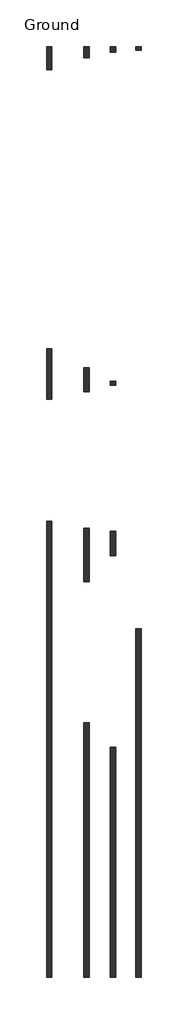
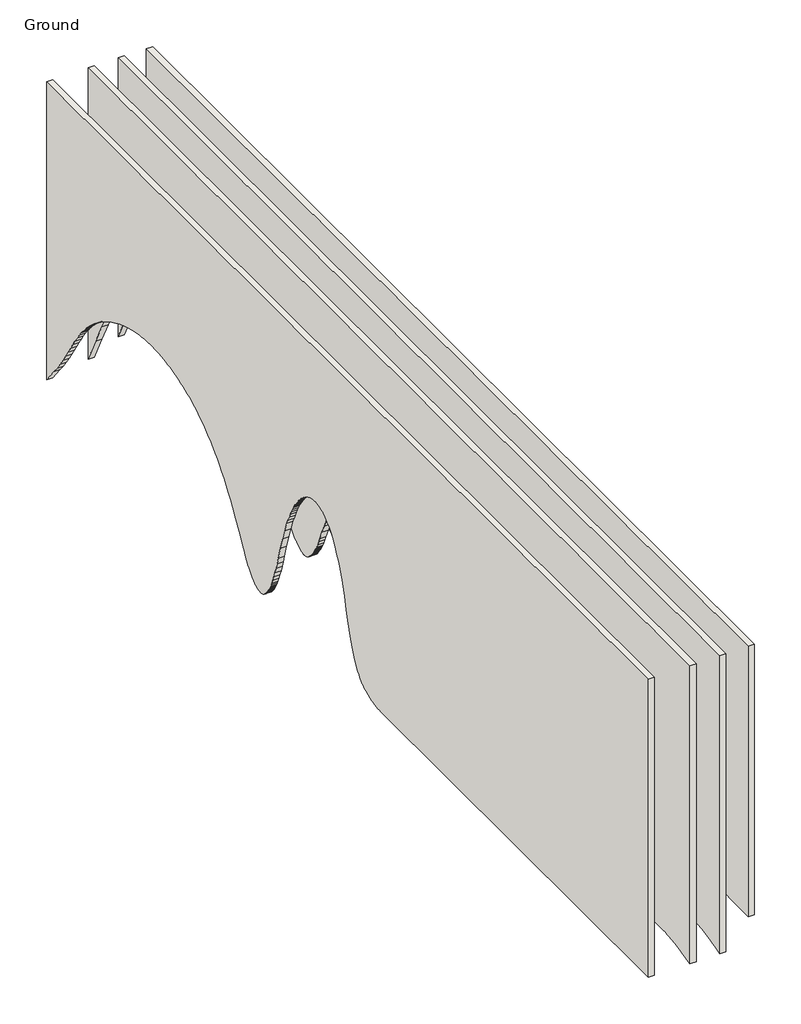
# One storey: 4 walls.
"""IFC4 building model written with IfcOpenShell, lengths in millimetres."""

from ifc_helpers import new_model, si_unit, frame, origin, place, context, project, spatial, polyline, outline, extrude, element, save

model = new_model("IFC4")

# Units and contexts
model_context = context("Model", 3, world=origin())
ifc_project = project(units=[si_unit("LENGTHUNIT", "METRE", prefix="MILLI")], contexts=[model_context])

# Site, building, storey
site = spatial("IfcSite", under=ifc_project)
building = spatial("IfcBuilding", under=site)
storey = spatial("IfcBuildingStorey", under=building, Name="Ground", Elevation=0.0)

# Walls
placement = place(None, origin())
element("IfcWall", 1, ObjectType="Wall-Ext_215Bwk", at=placement, inside=storey, context=model_context, shape_type="SweptSolid", body=[
    extrude(outline(polyline([(-25574.7736662, 11100.0), (11120.1509009, 11100.0), (11120.1509009, 6.9868798), (10676.8515925, 562.3280973), (10474.4359993, 829.3319734), (10284.8431132, 1089.2246944), (10108.0729345, 1342.0062604), (9944.125463, 1587.6766713), (9793.0006988, 1826.2359271), (9654.6986418, 2057.6840278), (9522.8079385, 2279.4566599), (9390.9172352, 2488.9895098), (9259.0265319, 2686.2825774), (9127.1358286, 2871.3358628), (8995.2451253, 3044.149366), (8929.2997736, 3125.9661992), (8863.3544219, 3204.7230869), (8797.4090703, 3280.4200291), (8731.4637186, 3353.0570257), (8665.518367, 3422.6340767), (8599.5730153, 3489.1511821), (8467.682312, 3616.0486171), (8335.7916087, 3736.7923915), (8203.9009054, 3851.382505), (8072.0102021, 3959.8189579), (7940.1194987, 4062.1017501), (7808.2287954, 4158.2308816), (7676.3380921, 4248.2063523), (7544.4473888, 4332.0281624), (7412.5566855, 4410.6294957), (7280.6659822, 4484.9435365), (7148.7752788, 4554.9702846), (7016.8845755, 4620.70974), (6884.9938722, 4682.1619029), (6753.1031689, 4739.3267731), (6621.2124656, 4792.2043507), (6489.3217623, 4840.7946356), (6357.4310589, 4885.5021199), (6225.5403556, 4926.7312953), (6093.6496523, 4964.4821619), (5961.758949, 4998.7547197), (5829.8682457, 5029.5489686), (5697.9775424, 5056.8649088), (5566.086839, 5080.7025401), (5434.1961357, 5101.0618627), (5302.3054324, 5117.9833486), (5170.4147291, 5131.50747), (5038.5240258, 5141.6342269), (4906.6333225, 5148.3636194), (4777.3288162, 5151.6303108), (4642.8519158, 5151.6303108), (4510.9612125, 5148.1676098), (4379.0705092, 5141.3075443), (4247.1798059, 5131.1198021), (4115.2891026, 5117.674071), (3983.3983992, 5100.970351), (3851.5076959, 5081.0086421), (3719.6169926, 5057.7889444), (3587.7262893, 5031.3112577), (3455.835586, 5001.5755822), (3323.9448827, 4968.5819177), (3192.0541793, 4932.0410134), (3060.163476, 4891.6636182), (2928.2727727, 4847.4497323), (2796.3820694, 4799.3993554), (2664.4913661, 4747.5124878), (2532.6006628, 4691.7891293), (2400.7099594, 4632.2292799), (2268.8192561, 4568.8329398), (2136.9285528, 4500.8198946), (2005.0378495, 4427.4099304), (1873.1471462, 4348.6030471), (1741.2564429, 4264.3992447), (1609.3657395, 4174.7985232), (1477.4750362, 4079.8008826), (1345.5843329, 3979.4063229), (1213.6936296, 3873.6148442), (1147.7482779, 3818.262485), (1081.8029263, 3760.6953458), (1015.8575746, 3700.9134266), (949.912223, 3638.9167274), (818.0215197, 3508.2789888), (686.1308163, 3368.7821301), (554.240113, 3220.4261513), (422.3494097, 3063.2110523), (290.4587064, 2897.1368333), (158.5680031, 2722.2034941), (26.6772998, 2538.4432369), (-105.2134036, 2345.8882637), (-237.1041069, 2144.5385745), (-368.9948102, 1934.3941693), (-632.7762168, 1487.7212109), (-896.5576235, 1005.8693885), (-962.5029751, 884.9109598), (-1028.4483268, 771.7563006), (-1094.3936784, 666.405411), (-1127.3663543, 616.6563798), (-1160.3390301, 568.858291), (-1193.3117059, 523.0111446), (-1226.2843818, 479.1149406), (-1259.2570576, 437.169679), (-1292.2297334, 397.1753598), (-1325.2024092, 359.131983), (-1358.1750851, 323.0395486), (-1391.1477609, 288.8980566), (-1424.1204367, 256.707507), (-1457.0931126, 226.4678998), (-1490.0657884, 198.179235), (-1506.5521263, 184.766506), (-1523.0384642, 171.8415126), (-1539.5248021, 159.4042548), (-1556.01114, 147.4547326), (-1572.497478, 135.992946), (-1588.9838159, 125.018895), (-1605.4701538, 114.5325796), (-1621.9564917, 104.5339998), (-1638.4428296, 95.0231556), (-1654.9291675, 86.000047), (-1671.4155054, 77.464674), (-1687.9018434, 69.4170366), (-1704.3881813, 61.8571348), (-1720.8745192, 54.7849686), (-1737.3608571, 48.200538), (-1753.847195, 42.103843), (-1770.3335329, 36.4948836), (-1786.8198708, 31.3736598), (-1803.3062088, 26.7401716), (-1819.7925467, 22.594419), (-1836.2788846, 18.936402), (-1852.7652225, 15.7661206), (-1869.2515604, 13.0835748), (-1885.7378983, 10.8887646), (-1902.2242362, 9.18169), (-1918.7105742, 7.962351), (-1935.1969121, 7.2307476), (-1951.68325, 6.9868798), (-1959.9264189, 7.1035895), (-1968.1695879, 7.4537184), (-1976.4127569, 8.0372667), (-1984.6559258, 8.8542344), (-1992.8990948, 9.9046213), (-2001.1422637, 11.1884275), (-2009.3854327, 12.7056531), (-2017.6286016, 14.456298), (-2025.8717706, 16.4403622), (-2034.1149396, 18.6578457), (-2042.3581085, 21.1087486), (-2050.6012775, 23.7930707), (-2058.8444464, 26.7108122), (-2067.0876154, 29.861973), (-2075.3307844, 33.2465531), (-2083.5739533, 36.8645525), (-2091.8171223, 40.7159713), (-2100.0602912, 44.8008093), (-2108.3034602, 49.1190667), (-2116.5466291, 53.6707434), (-2124.7897981, 58.4558394), (-2133.0329671, 63.4743548), (-2141.276136, 68.7262894), (-2149.519305, 74.2116434), (-2157.7624739, 79.9304167), (-2166.0056429, 85.8826093), (-2174.2488118, 92.0682212), (-2182.4919808, 98.4872525), (-2198.9783187, 112.0255729), (-2215.4646566, 126.4975707), (-2231.9509945, 141.9032457), (-2248.4373325, 158.2425979), (-2264.9236704, 175.5156275), (-2281.4100083, 193.7223343), (-2297.8963462, 212.8627184), (-2314.3826841, 232.9367797), (-2330.869022, 253.9445183), (-2347.3553599, 275.8859342), (-2363.8416979, 298.7610274), (-2380.3280358, 322.5697978), (-2413.3007116, 372.9883706), (-2446.2733874, 427.1416523), (-2479.2460633, 485.0296432), (-2512.2187391, 546.6523432), (-2545.1914149, 612.0097523), (-2578.1640907, 681.1018704), (-2611.1367666, 753.9286977), (-2677.0821182, 910.7864794), (-2743.0274699, 1082.5830975), (-2808.9728215, 1269.318552), (-2874.9181732, 1470.9928428), (-2940.8635249, 1687.60597), (-3006.8088765, 1919.1579335), (-3138.6995798, 2379.0066824), (-3270.5902832, 2802.4674024), (-3402.4809865, 3189.5400933), (-3534.3716898, 3540.2247553), (-3600.3170414, 3701.9215754), (-3666.2623931, 3854.5213882), (-3732.2077448, 3998.0241938), (-3798.1530964, 4132.4299922), (-3864.0984481, 4257.7387833), (-3930.0437997, 4373.9505671), (-3963.0164756, 4428.6450814), (-3995.9891514, 4481.0653438), (-4028.9618272, 4531.2113543), (-4061.9345031, 4579.0831131), (-4127.8798547, 4669.9296712), (-4193.8252064, 4755.5308139), (-4259.770558, 4835.8865412), (-4325.7159097, 4910.9968532), (-4358.6885855, 4946.5849784), (-4391.6612613, 4980.8617498), (-4424.6339372, 5013.8271674), (-4457.606613, 5045.4812311), (-4490.5792888, 5075.8239409), (-4523.5519647, 5104.855297), (-4556.5246405, 5132.5752991), (-4589.4973163, 5158.9839475), (-4622.4699921, 5184.081242), (-4655.442668, 5207.8671827), (-4688.4153438, 5230.3417695), (-4721.3880196, 5251.5050025), (-4754.3606955, 5271.3568816), (-4787.3333713, 5289.8974069), (-4820.3060471, 5307.1265784), (-4853.278723, 5323.044396), (-4886.2513988, 5337.6508598), (-4919.2240746, 5350.9459697), (-4935.7104125, 5357.101767), (-4952.1967504, 5362.9297258), (-4968.6830884, 5368.4298462), (-4985.1694263, 5373.6021281), (-5001.6557642, 5378.4465715), (-5018.1421021, 5382.9631765), (-5034.62844, 5387.151943), (-5051.1147779, 5391.0128711), (-5067.6011158, 5394.5459607), (-5084.0874538, 5397.7512118), (-5100.5737917, 5400.6286245), (-5117.0601296, 5403.1781987), (-5133.5464675, 5405.4098703), (-5150.0328054, 5407.3335751), (-5166.5191433, 5408.949313), (-5183.0054812, 5410.2570842), (-5199.4918192, 5411.2568885), (-5215.9781571, 5411.948726), (-5232.464495, 5412.3325967), (-5248.9508329, 5412.4085006), (-5265.4371708, 5412.1764377), (-5281.9235087, 5411.6364079), (-5298.4098466, 5410.7884114), (-5314.8961846, 5409.632448), (-5331.3825225, 5408.1685178), (-5347.8688604, 5406.3966208), (-5364.3551983, 5404.316757), (-5380.8415362, 5401.9289264), (-5397.3278741, 5399.233129), (-5413.814212, 5396.2293647), (-5430.30055, 5392.9176337), (-5446.7868879, 5389.2979358), (-5463.2732258, 5385.3702711), (-5479.7595637, 5381.1346396), (-5512.7322395, 5371.7394761), (-5545.7049154, 5361.1124454), (-5578.6775912, 5349.2535475), (-5611.650267, 5336.1627823), (-5644.6229428, 5321.8401498), (-5677.5956187, 5306.2856501), (-5710.5682945, 5289.4992831), (-5743.5409703, 5271.4810489), (-5776.5136462, 5252.2309474), (-5809.486322, 5231.7489787), (-5842.4589978, 5210.0351427), (-5875.4316737, 5187.0894394), (-5908.4043495, 5162.9118689), (-5941.3770253, 5137.5024312), (-5974.3497011, 5110.8611262), (-6007.322377, 5082.9879539), (-6040.2950528, 5053.8829144), (-6073.2677286, 5023.5460076), (-6106.2404045, 4991.9772336), (-6139.2130803, 4959.1765923), (-6172.1857561, 4925.1440838), (-6188.657783, 4907.5047571), (-6205.1011877, 4889.2352192), (-6237.9021309, 4850.8055097), (-6270.5885855, 4809.8549554), (-6303.1605518, 4766.3835563), (-6335.6180295, 4720.3913123), (-6367.9610188, 4671.8782234), (-6400.1895197, 4620.8442897), (-6432.3035321, 4567.2895112), (-6464.303056, 4511.2138877), (-6496.1880915, 4452.6174195), (-6527.9586385, 4391.5001064), (-6559.6146971, 4327.8619484), (-6622.5833489, 4193.0230979), (-6685.0940468, 4048.100868), (-6747.1467909, 3893.0952586), (-6808.7415811, 3728.0062699), (-6869.8784176, 3552.8339017), (-6930.5573002, 3367.5781541), (-7050.5412039, 2966.8165208), (-7168.6932923, 2525.7213697), (-7286.8453807, 2088.0251507), (-7346.6083556, 1886.8513094), (-7406.8292844, 1697.4603134), (-7467.508167, 1519.8521629), (-7528.6450034, 1354.0268578), (-7590.2397937, 1199.9843981), (-7652.2925378, 1057.7247839), (-7683.4906425, 991.0135438), (-7714.8032357, 927.248015), (-7746.2303174, 866.4281977), (-7777.7718875, 808.5540916), (-7809.427946, 753.625697), (-7841.198493, 701.6430136), (-7873.0835285, 652.6060417), (-7905.0830525, 606.5147811), (-7937.1970649, 563.3692318), (-7953.2970042, 542.901099), (-7969.4255657, 523.1693939), (-7985.5827493, 504.1741168), (-8001.768555, 485.9152674), (-8017.9829829, 468.3928459), (-8034.2260328, 451.6068522), (-8050.4977049, 435.5572864), (-8066.797999, 420.2441484), (-8083.1269153, 405.6674383), (-8099.4844537, 391.8271559), (-8115.8706142, 378.7233015), (-8132.2853968, 366.3558748), (-8148.7288016, 354.724876), (-8165.2008284, 343.8303051), (-8231.1461801, 303.0406715), (-8297.0915318, 264.8826273), (-8363.0368834, 229.3561723), (-8428.9822351, 196.4613065), (-8494.9275867, 166.19803), (-8560.8729384, 138.5663428), (-8626.8182901, 113.5662448), (-8659.7909659, 102.0530418), (-8692.7636417, 91.1977361), (-8725.7363175, 81.0003277), (-8758.7089934, 71.4608167), (-8791.6816692, 62.5792029), (-8824.654345, 54.3554865), (-8857.6270209, 46.7896674), (-8890.5996967, 39.8817456), (-8923.5723725, 33.6317211), (-8956.5450483, 28.0395939), (-8989.5177242, 23.105364), (-9022.4904, 18.8290315), (-9055.4630758, 15.2105962), (-9088.4357517, 12.2500583), (-9121.4084275, 9.9474177), (-9154.3811033, 8.3026744), (-9187.3537792, 7.3158285), (-9220.326455, 6.9868798), (-25574.7736662, 6.9868798), (-25574.7736662, 11100.0)])), frame((-4215.2824204, 0.0, 0.0), z_axis=(1.0, 0.0, 0.0), x_axis=(0.0, 1.0, 0.0)), (0.0, 0.0, 1.0), 215.0),
])
element("IfcWall", 2, ObjectType="Wall-Ext_215Bwk", at=placement, inside=storey, context=model_context, shape_type="SweptSolid", body=[
    extrude(outline(polyline([(-25574.7736662, 11100.0), (11120.1509009, 11100.0), (11120.1509009, 259.5725308), (10672.3773836, 1195.0563647), (10277.9371695, 1966.8977803), (10100.7170511, 2291.4525813), (9936.8302585, 2575.0967778), (9859.8868594, 2701.5773993), (9786.2767917, 2817.8303697), (9716.0000554, 2923.8556889), (9649.0566506, 3019.653357), (9518.4218857, 3196.9744777), (9387.6245472, 3366.2024697), (9256.664635, 3527.337333), (9125.5421492, 3680.3790676), (8994.2570899, 3825.3276734), (8862.8094569, 3962.1831506), (8731.1992503, 4090.945499), (8599.4264701, 4211.6147187), (8467.5701133, 4325.6332812), (8335.709177, 4434.4436579), (8203.8436611, 4538.0458488), (8071.9735657, 4636.4398538), (7940.0988908, 4729.6256731), (7808.2196363, 4817.6033065), (7676.3358023, 4900.3727542), (7544.4473888, 4977.9340161), (7412.5566855, 5050.9617307), (7280.6659822, 5120.1305365), (7148.7752788, 5185.4404336), (7016.8845755, 5246.891422), (6884.9938722, 5304.4835017), (6753.1031689, 5358.2166726), (6621.2124656, 5408.0909348), (6489.3217623, 5454.1062883), (6357.4310589, 5496.4450331), (6225.5403556, 5535.2894694), (6093.6496523, 5570.6395973), (5961.758949, 5602.4954167), (5829.8682457, 5630.8569275), (5697.9775424, 5655.7241299), (5566.086839, 5677.0970238), (5434.1961357, 5694.9756092), (5302.3054324, 5709.6463766), (5170.4147291, 5721.3958164), (5038.5240258, 5730.2239287), (4906.6333225, 5736.1307134), (4771.9095188, 5739.1803002), (4642.8519158, 5739.1803002), (4510.9612125, 5736.3231023), (4379.0705092, 5730.5445768), (4247.1798059, 5721.6865046), (4115.2891026, 5709.5906669), (3983.3983992, 5694.2570634), (3851.5076959, 5675.6856942), (3719.6169926, 5653.8765594), (3587.7262893, 5628.8296588), (3455.835586, 5600.5449926), (3323.9448827, 5569.0225607), (3192.0541793, 5534.0085546), (3060.163476, 5495.2491659), (2928.2727727, 5452.7443944), (2796.3820694, 5406.4942402), (2664.4913661, 5356.4987034), (2532.6006628, 5302.7577838), (2400.7099594, 5245.2714816), (2268.8192561, 5184.0397966), (2136.9285528, 5118.6800344), (2005.0378495, 5048.8095002), (1873.1471462, 4974.4281942), (1741.2564429, 4895.5361162), (1609.3657395, 4812.1332663), (1477.4750362, 4724.2196445), (1345.5843329, 4631.7952508), (1213.6936296, 4534.8600852), (1081.8029263, 4432.2533544), (949.912223, 4322.8142653), (818.0215197, 4206.5428178), (686.1308163, 4083.439012), (554.240113, 3953.5028478), (422.3494097, 3816.7343253), (290.4587064, 3673.1334444), (158.5680031, 3522.7002052), (26.6772998, 3364.4604581), (-105.2134036, 3197.4400538), (-237.1041069, 3021.638992), (-368.9948102, 2837.057273), (-500.8855135, 2643.6948966), (-632.7762168, 2441.5518629), (-764.6669201, 2230.6281719), (-896.5576235, 2010.9238236), (-962.5029751, 1901.8395849), (-1028.4483268, 1798.6815459), (-1094.3936784, 1701.4497066), (-1160.3390301, 1610.144067), (-1226.2843818, 1524.764627), (-1259.2570576, 1484.2972319), (-1292.2297334, 1445.3113867), (-1325.2024092, 1407.8070915), (-1358.1750851, 1371.7843461), (-1391.1477609, 1337.2431507), (-1424.1204367, 1304.1835052), (-1457.0931126, 1272.6054096), (-1490.0657884, 1242.508864), (-1523.0384642, 1213.8938682), (-1556.01114, 1186.7604224), (-1588.9838159, 1161.1085265), (-1621.9564917, 1136.9381805), (-1654.9291675, 1114.2493844), (-1687.9018434, 1093.0421383), (-1720.8745192, 1073.316442), (-1753.847195, 1055.0722957), (-1770.3335329, 1046.5058038), (-1786.8198708, 1038.3096993), (-1803.3062088, 1030.4839823), (-1819.7925467, 1023.0286528), (-1836.2788846, 1015.9437108), (-1852.7652225, 1009.2291563), (-1869.2515604, 1002.8849892), (-1885.7378983, 996.9112097), (-1902.2242362, 991.3078176), (-1918.7105742, 986.0748129), (-1935.1969121, 981.2121958), (-1951.68325, 976.7199661), (-1959.9264189, 974.6544771), (-1968.1695879, 972.7650461), (-1976.4127569, 971.051673), (-1984.6559258, 969.5143579), (-1992.8990948, 968.1531007), (-2001.1422637, 966.9679014), (-2009.3854327, 965.9587601), (-2017.6286016, 965.1256768), (-2025.8717706, 964.4686514), (-2034.1149396, 963.9876839), (-2042.3581085, 963.6827744), (-2050.6012775, 963.5539229), (-2058.8444464, 963.6011293), (-2067.0876154, 963.8243936), (-2075.3307844, 964.2237159), (-2083.5739533, 964.7990961), (-2091.8171223, 965.5505343), (-2100.0602912, 966.4780304), (-2108.3034602, 967.5815845), (-2116.5466291, 968.8611965), (-2124.7897981, 970.3168665), (-2133.0329671, 971.9485944), (-2141.276136, 973.7563803), (-2149.519305, 975.7402241), (-2157.7624739, 977.9001259), (-2166.0056429, 980.2360856), (-2174.2488118, 982.7481033), (-2182.4919808, 985.4361789), (-2190.7351498, 988.3003124), (-2198.9783187, 991.3405039), (-2207.2214877, 994.5567534), (-2215.4646566, 997.9490608), (-2223.7078256, 1001.5174262), (-2231.9509945, 1005.2618495), (-2248.4373325, 1013.2788699), (-2264.9236704, 1022.0001221), (-2281.4100083, 1031.4256062), (-2297.8963462, 1041.555322), (-2314.3826841, 1052.3892696), (-2330.869022, 1063.927449), (-2347.3553599, 1076.1698602), (-2363.8416979, 1089.1165032), (-2380.3280358, 1102.7673779), (-2396.8143737, 1117.1224845), (-2414.4733528, 1133.2529644), (-2429.7870495, 1147.945393), (-2446.2733874, 1164.413195), (-2462.7597253, 1181.5852287), (-2479.2460633, 1199.4614943), (-2495.7324012, 1218.0419916), (-2512.2187391, 1237.3267207), (-2545.1914149, 1278.0088743), (-2578.1640907, 1321.5079551), (-2611.1367666, 1367.823963), (-2644.1094424, 1416.9568981), (-2677.0821182, 1468.9067604), (-2710.0547941, 1523.6735499), (-2743.0274699, 1581.2572665), (-2776.0001457, 1641.6579103), (-2808.9728215, 1704.8754812), (-2874.9181732, 1839.7614046), (-2940.8635249, 1985.9150367), (-3006.8088765, 2143.3363775), (-3138.6995798, 2461.5583306), (-3270.5902832, 2764.0034096), (-3402.4809865, 3050.6716144), (-3534.3716898, 3321.562945), (-3666.2623931, 3576.6774015), (-3798.1530964, 3816.0149838), (-3930.0437997, 4039.575692), (-4061.9345031, 4247.359526), (-4127.8792823, 4344.6326809), (-4193.8229166, 4436.5567486), (-4259.765406, 4523.1317291), (-4325.7067506, 4604.3576224), (-4391.6469503, 4680.2344285), (-4424.6166208, 4716.1669238), (-4457.5860051, 4750.7621474), (-4490.5551031, 4784.0200992), (-4523.523915, 4815.9407791), (-4556.4924406, 4846.5241873), (-4589.46068, 4875.7703237), (-4622.4286332, 4903.6791883), (-4655.3963002, 4930.250781), (-4688.3636809, 4955.485102), (-4721.3307754, 4979.3821512), (-4754.2975837, 5001.9419286), (-4787.2641058, 5023.1644342), (-4820.2303416, 5043.049668), (-4853.1962913, 5061.59763), (-4886.1619547, 5078.8083201), (-4919.1273319, 5094.6817385), (-4952.0924228, 5109.2178851), (-4968.574861, 5115.9844815), (-4985.0572276, 5122.4167599), (-5001.5395226, 5128.5147204), (-5018.0217461, 5134.278363), (-5034.503898, 5139.7076875), (-5050.9859784, 5144.8026942), (-5067.4679872, 5149.5633828), (-5083.9499245, 5153.9897536), (-5100.4317902, 5158.0818064), (-5116.9135844, 5161.8395412), (-5133.3941084, 5165.2664438), (-5149.8721638, 5168.3659998), (-5166.3477505, 5171.1382093), (-5182.8208686, 5173.5830723), (-5199.291518, 5175.7005887), (-5215.7596988, 5177.4907585), (-5232.2254109, 5178.9535818), (-5248.6886543, 5180.0890586), (-5265.1494291, 5180.8971889), (-5281.6077353, 5181.3779725), (-5298.0635727, 5181.5314097), (-5314.5169415, 5181.3575003), (-5330.9678417, 5180.8562443), (-5347.4162732, 5180.0276418), (-5363.862236, 5178.8716928), (-5380.3057302, 5177.3883972), (-5396.7467558, 5175.5777551), (-5413.1853126, 5173.4397664), (-5429.6214009, 5170.9744312), (-5446.0550204, 5168.1817495), (-5462.4861713, 5165.0617212), (-5478.9148536, 5161.6143463), (-5495.3410671, 5157.8396249), (-5511.7648121, 5153.737557), (-5528.1860883, 5149.3081425), (-5544.6048959, 5144.5513815), (-5561.0212349, 5139.4672739), (-5577.4351052, 5134.0558198), (-5593.8465068, 5128.3170192), (-5610.2554398, 5122.250872), (-5643.0658998, 5109.136538), (-5675.8664852, 5094.7128177), (-5708.6571959, 5078.9797114), (-5741.438032, 5061.9372188), (-5774.2089935, 5043.5853401), (-5806.9700804, 5023.9240751), (-5839.7212926, 5002.9534241), (-5872.4626302, 4980.6733868), (-5905.1940931, 4957.0839633), (-5937.9156815, 4932.1851537), (-5970.6273952, 4905.9769579), (-6003.3292342, 4878.4593759), (-6036.0211987, 4849.6324078), (-6068.7032885, 4819.4960535), (-6101.3755037, 4788.050313), (-6134.0378442, 4755.2951863), (-6166.6903101, 4721.2306734), (-6199.296122, 4685.6457182), (-6231.8185004, 4648.3292644), (-6264.2574454, 4609.2813121), (-6296.6129569, 4568.5018613), (-6328.8850349, 4525.9909119), (-6361.0736795, 4481.7484639), (-6393.1788905, 4435.7745174), (-6425.2006682, 4388.0690724), (-6488.9939231, 4287.4636867), (-6552.4534441, 4179.9323069), (-6615.5792312, 4065.4749328), (-6678.3712846, 3944.0915646), (-6740.829604, 3815.7822023), (-6802.9541896, 3680.5468457), (-6864.7450414, 3538.385495), (-6926.2021593, 3389.2981501), (-7048.1151935, 3070.3454778), (-7168.6932923, 2723.6888287), (-7289.2713911, 2379.3820959), (-7350.0610413, 2219.3801578), (-7411.1844253, 2067.4791719), (-7472.6415432, 1923.6791383), (-7534.432395, 1787.9800569), (-7596.5569806, 1660.3819278), (-7659.0153, 1540.8847509), (-7721.8073533, 1429.4885262), (-7753.3285302, 1376.828271), (-7784.9331405, 1326.1932538), (-7816.6211843, 1277.5834747), (-7848.3926615, 1230.9989336), (-7880.2475722, 1186.4396306), (-7912.1859164, 1143.9055656), (-7944.207694, 1103.3967388), (-7976.3129051, 1064.9131499), (-8008.5015497, 1028.4547992), (-8040.7736277, 994.0216864), (-8073.1291392, 961.6138118), (-8105.5680841, 931.2311752), (-8121.8188442, 916.7993212), (-8138.0904625, 902.8737767), (-8154.3829393, 889.4545417), (-8170.6962744, 876.5416162), (-8203.3487403, 851.8746162), (-8236.0110809, 828.5126989), (-8268.6832961, 806.4558645), (-8301.3653859, 785.704113), (-8334.0573503, 766.2574442), (-8366.7591894, 748.1158582), (-8399.4709031, 731.2793551), (-8432.1924914, 715.7479348), (-8464.9239544, 701.5215973), (-8497.665292, 688.6003426), (-8514.0396638, 682.6291213), (-8530.4165042, 676.9841707), (-8546.7958133, 671.6654909), (-8563.1775911, 666.6730817), (-8579.5618375, 662.0069432), (-8595.9485525, 657.6670755), (-8612.3377363, 653.6534784), (-8628.7293886, 649.9661521), (-8645.1235097, 646.6050964), (-8661.5200994, 643.5703115), (-8677.9191577, 640.8617972), (-8694.3206847, 638.4795537), (-8710.7246804, 636.4235808), (-8727.1311447, 634.6938787), (-8743.5400777, 633.2904473), (-8759.9514794, 632.2132866), (-8776.3653497, 631.4623966), (-8792.7816886, 631.0377772), (-8809.2004962, 630.9394286), (-8825.6217725, 631.1673507), (-8842.0455174, 631.7215435), (-8858.471731, 632.602007), (-8874.9004133, 633.8087412), (-8891.3315642, 635.3417462), (-8907.7651837, 637.2010218), (-8924.2012719, 639.3865681), (-8940.6398288, 641.8983851), (-8957.0808543, 644.7364729), (-8973.5243485, 647.9008313), (-8989.9703114, 651.3914604), (-9006.4187429, 655.2083603), (-9022.869643, 659.3515308), (-9039.3230118, 663.8209721), (-9055.7788493, 668.616684), (-9072.2371554, 673.7386667), (-9088.6979302, 679.1869201), (-9105.1611737, 684.9614441), (-9121.6268858, 691.0622389), (-9154.565716, 704.2426406), (-9187.5144208, 718.728125), (-9220.4730002, 734.5186923), (-9352.329357, 803.0073109), (-9484.1902933, 876.9282968), (-9616.0558092, 956.2816501), (-9747.9259046, 1041.0673708), (-9879.8005795, 1131.2854589), (-10011.679834, 1226.9359144), (-10143.563668, 1328.0187373), (-10275.4520815, 1434.5339276), (-10539.2334881, 1647.1957753), (-10803.0148948, 1848.2558221), (-11066.7963014, 2037.7140681), (-11330.577708, 2215.5705133), (-11396.5230597, 2257.7057635), (-11462.4684114, 2298.0837414), (-11528.413763, 2336.7044472), (-11594.3591147, 2373.5678809), (-11660.3044663, 2408.6740424), (-11726.249818, 2442.0229317), (-11792.1951696, 2473.6145488), (-11858.1405213, 2503.4488938), (-11924.085873, 2531.5259667), (-11990.0312246, 2557.8457674), (-12055.9765763, 2582.4082959), (-12121.9219279, 2605.2135523), (-12187.8672796, 2626.2615365), (-12253.8126313, 2645.5522485), (-12319.7579829, 2663.0856884), (-12385.7033346, 2678.8618561), (-12451.6486862, 2692.59232), (-12517.5940379, 2703.9886484), (-12583.5393895, 2713.0508413), (-12616.5120654, 2716.7066369), (-12649.4847412, 2719.7788987), (-12682.457417, 2722.2676266), (-12715.4300929, 2724.1728206), (-12748.4027687, 2725.4944808), (-12781.3754445, 2726.232607), (-12814.3481204, 2726.3871994), (-12847.3207962, 2725.958258), (-12880.293472, 2724.9457826), (-12913.2661478, 2723.3497734), (-12946.2388237, 2721.1702303), (-12979.2114995, 2718.4071533), (-13012.1841753, 2715.0605424), (-13045.1568512, 2711.1303977), (-13111.1022028, 2701.5195067), (-13177.0475545, 2689.5744801), (-13242.9929061, 2675.295318), (-13308.9382578, 2658.6820205), (-13374.8836094, 2639.7345874), (-13440.8289611, 2618.4530189), (-13506.7743128, 2595.2290142), (-13572.7196644, 2570.4542729), (-13638.6650161, 2544.1287949), (-13704.6103677, 2516.2525801), (-13770.5557194, 2486.8256287), (-13836.5010711, 2455.8479406), (-13902.4464227, 2423.3195158), (-13968.3917744, 2389.2403542), (-14034.337126, 2353.610456), (-14100.2824777, 2316.4298211), (-14232.173181, 2237.4163412), (-14364.0638843, 2152.1999145), (-14495.9545876, 2060.780541), (-14627.845291, 1964.2717417), (-14759.7359943, 1863.7870373), (-14891.6266976, 1759.3264279), (-15023.5174009, 1650.8899135), (-15287.2988075, 1422.0891697), (-15551.0802142, 1177.3848058), (-15617.0255658, 1115.5113686), (-15682.9709175, 1056.2191441), (-15748.9162691, 999.5081323), (-15814.8616208, 945.3783331), (-15880.8069725, 893.8297466), (-15946.7523241, 844.8623727), (-16012.6976758, 798.4762114), (-16078.6430274, 754.6712628), (-16144.5883791, 713.4475269), (-16210.5337307, 674.8050036), (-16276.4790824, 638.7436929), (-16342.4244341, 605.2635949), (-16408.3697857, 574.3647095), (-16474.3151374, 546.0470368), (-16540.260489, 520.3105768), (-16606.2058407, 497.1553294), (-16738.096544, 455.8659417), (-16869.9872473, 419.4563429), (-16935.932599, 403.0814644), (-17001.8779506, 387.9265332), (-17067.8233023, 373.9915491), (-17133.768654, 361.2765124), (-17199.7140056, 349.7814228), (-17265.6593573, 339.5062805), (-17331.6047089, 330.4510854), (-17397.5500606, 322.6158376), (-17463.4954123, 316.000537), (-17529.4407639, 310.6051837), (-17595.3861156, 306.4297776), (-17661.3314672, 303.4743187), (-18716.4570938, 283.8842478), (-21881.8339734, 283.055273), (-23992.0852264, 270.0050064), (-24060.0913703, 267.513694), (-24132.2190987, 263.1627388), (-24208.4684115, 256.952141), (-24288.8393089, 248.8819003), (-24461.945857, 227.1624909), (-24651.538743, 198.0045105), (-24857.6179669, 161.4079592), (-25080.1835288, 117.372837), (-25574.7736662, 6.9868798), (-25574.7736662, 11100.0)])), frame((-2749.8301613, 0.0, 0.0), z_axis=(1.0, 0.0, 0.0), x_axis=(0.0, 1.0, 0.0)), (0.0, 0.0, 1.0), 215.0),
])
element("IfcWall", 3, ObjectType="Wall-Ext_215Bwk", at=placement, inside=storey, context=model_context, shape_type="SweptSolid", body=[
    extrude(outline(polyline([(11120.1509009, 727.9687844), (10672.3178496, 1635.0681942), (10277.8455787, 2379.6263998), (10100.6197359, 2690.9525509), (9936.7340882, 2961.643401), (9859.7938375, 3081.7505881), (9786.1886356, 3191.69895), (9715.9184824, 3291.4884866), (9648.983378, 3381.1191979), (9518.3657864, 3546.5735348), (9387.5833313, 3704.7313506), (9256.6360129, 3855.5926453), (9125.5238311, 3999.157419), (8994.2467859, 4135.4256716), (8862.8048774, 4264.3974032), (8731.1981054, 4386.0726136), (8599.4264701, 4500.4513031), (8467.5701133, 4608.7617107), (8335.709177, 4712.2320757), (8203.8436611, 4810.8623981), (8071.9735657, 4904.6526779), (7940.0988908, 4993.6029152), (7808.2196363, 5077.7131098), (7676.3358023, 5156.9832619), (7544.4473888, 5231.4133713), (7412.5566855, 5301.6328996), (7280.6659822, 5368.2713081), (7148.7752788, 5431.3285969), (7016.8845755, 5490.8047659), (6884.9938722, 5546.6998151), (6753.1031689, 5599.0137446), (6621.2124656, 5647.7465543), (6489.3217623, 5692.8982443), (6357.4310589, 5734.5641846), (6225.5403556, 5772.8397456), (6093.6496523, 5807.7249271), (5961.758949, 5839.2197292), (5829.8682457, 5867.3241519), (5697.9775424, 5892.0381951), (5566.086839, 5913.3618589), (5434.1961357, 5931.2951434), (5302.3054324, 5946.0439347), (5170.4147291, 5957.8141195), (5038.5240258, 5966.6056977), (4906.6333225, 5972.4186693), (4781.4545755, 5975.1087925), (4642.8519158, 5975.1087925), (4510.9612125, 5971.9859443), (4379.0705092, 5965.8844894), (4247.1798059, 5956.6874942), (4115.2891026, 5944.2780249), (3983.3983992, 5928.6560816), (3851.5076959, 5909.8216642), (3719.6169926, 5887.7747727), (3587.7262893, 5862.5154072), (3455.835586, 5834.0435676), (3323.9448827, 5802.359254), (3192.0541793, 5767.294454), (3060.163476, 5728.6811555), (2928.2727727, 5686.5193585), (2796.3820694, 5640.8090628), (2664.4913661, 5591.5502687), (2532.6006628, 5538.7429759), (2400.7099594, 5482.3871846), (2268.8192561, 5422.4828948), (2136.9285528, 5358.7328402), (2005.0378495, 5290.8397547), (1873.1471462, 5218.8036384), (1741.2564429, 5142.6244912), (1609.3657395, 5062.302313), (1477.4750362, 4977.837104), (1345.5843329, 4889.2288641), (1213.6936296, 4796.4775933), (1081.8029263, 4698.4952307), (949.912223, 4594.1937152), (818.0215197, 4483.573047), (686.1308163, 4366.6332259), (554.240113, 4243.3742521), (422.3494097, 4113.7961254), (290.4587064, 3977.8988459), (158.5680031, 3835.6824136), (26.6772998, 3686.0116327), (-105.2134036, 3527.7513072), (-237.1041069, 3360.9014371), (-368.9948102, 3185.4620224), (-500.8855135, 3001.4330632), (-632.7762168, 2808.8145595), (-764.6669201, 2607.6065112), (-896.5576235, 2397.8089183), (-962.5029751, 2292.9667214), (-1028.4483268, 2192.5324958), (-1094.3936784, 2096.5062416), (-1160.3390301, 2004.8879587), (-1226.2843818, 1917.6776471), (-1292.2297334, 1834.8753069), (-1358.1750851, 1756.4809381), (-1424.1204367, 1682.4945406), (-1490.0657884, 1612.9161144), (-1556.01114, 1547.7456596), (-1588.9838159, 1516.8134214), (-1621.9564917, 1486.9831761), (-1654.9291675, 1458.2549236), (-1687.9018434, 1430.6286639), (-1720.8745192, 1404.1043971), (-1753.847195, 1378.6821231), (-1786.8198708, 1354.361842), (-1819.7925467, 1331.1435537), (-1852.7652225, 1309.0272582), (-1885.7378983, 1288.0129555), (-1918.7105742, 1268.1006457), (-1951.68325, 1249.2903288), (-1968.1695879, 1240.5272997), (-1976.4127569, 1236.4207586), (-1984.6559258, 1232.4975331), (-1992.8990948, 1228.7576232), (-2001.1422637, 1225.201029), (-2009.3854327, 1221.8277503), (-2017.6286016, 1218.6377873), (-2025.8717706, 1215.6311399), (-2034.1149396, 1212.8078081), (-2042.3581085, 1210.1677919), (-2050.6012775, 1207.7110913), (-2058.8444464, 1205.4377064), (-2067.0876154, 1203.347637), (-2075.3307844, 1201.4408833), (-2083.5739533, 1199.7174452), (-2091.8171223, 1198.1773227), (-2100.0602912, 1196.8205158), (-2108.3034602, 1195.6470245), (-2116.5466291, 1194.6568488), (-2124.7897981, 1193.8499888), (-2133.0329671, 1193.2264444), (-2141.276136, 1192.7862155), (-2149.519305, 1192.5293023), (-2157.7624739, 1192.4557048), (-2166.0056429, 1192.5654228), (-2174.2488118, 1192.8584564), (-2182.4919808, 1193.3348057), (-2190.7351498, 1193.9944705), (-2198.9783187, 1194.837451), (-2207.2214877, 1195.8637471), (-2215.4646566, 1197.0733588), (-2223.7078256, 1198.4662862), (-2231.9509945, 1200.0425291), (-2240.1941635, 1201.8020877), (-2248.4373325, 1203.7449618), (-2256.6805014, 1205.8711516), (-2264.9236704, 1208.180657), (-2273.1668393, 1210.673478), (-2281.4100083, 1213.3496147), (-2289.6531772, 1216.2090669), (-2297.8963462, 1219.2518348), (-2306.1395152, 1222.4779182), (-2314.3826841, 1225.8873173), (-2322.6258531, 1229.480032), (-2330.869022, 1233.2560623), (-2339.112191, 1237.2154082), (-2347.3553599, 1241.3580698), (-2363.8416979, 1250.1933397), (-2380.3280358, 1259.7618721), (-2396.8143737, 1270.0636669), (-2413.3007116, 1281.0987242), (-2429.7870495, 1292.867044), (-2446.2733874, 1305.3686262), (-2462.7597253, 1318.6034709), (-2479.2460633, 1332.571578), (-2495.7324012, 1347.2729476), (-2512.2187391, 1362.7075796), (-2528.705077, 1378.8754741), (-2545.1914149, 1395.7766311), (-2561.6777528, 1413.4110505), (-2578.1640907, 1431.7787323), (-2594.6504287, 1450.8796767), (-2611.1367666, 1470.7138835), (-2644.1094424, 1512.5820844), (-2677.0821182, 1557.3833352), (-2710.0547941, 1605.1176358), (-2743.0274699, 1655.7849862), (-2776.0001457, 1709.3853864), (-2808.9728215, 1765.9188365), (-2841.9454974, 1825.3853364), (-2874.9181732, 1887.7848862), (-2940.8635249, 2021.3831352), (-3006.8088765, 2166.7135834), (-3270.5902832, 2745.4347124), (-3402.4809865, 3015.2464798), (-3534.3716898, 3272.0257157), (-3666.2623931, 3515.7724203), (-3798.1530964, 3746.4865934), (-3930.0437997, 3964.1682352), (-4061.9345031, 4168.8173455), (-4127.8792823, 4265.2768725), (-4193.8229166, 4356.5226089), (-4259.765406, 4442.5545547), (-4325.7067506, 4523.3727098), (-4391.6469503, 4598.9770744), (-4424.6166208, 4634.8240852), (-4457.5860051, 4669.3676483), (-4490.5551031, 4702.6077638), (-4523.523915, 4734.5444316), (-4556.4924406, 4765.1776518), (-4589.46068, 4794.5074243), (-4622.4286332, 4822.5337492), (-4655.3963002, 4849.2566264), (-4688.3636809, 4874.676056), (-4721.3307754, 4898.7920379), (-4754.2975837, 4921.6045722), (-4787.2641058, 4943.1136588), (-4820.2303416, 4963.3192977), (-4853.1962913, 4982.221489), (-4886.1619547, 4999.8202327), (-4919.1273319, 5016.1155287), (-4952.0924228, 5031.107377), (-4985.0572276, 5044.7957777), (-5018.0217461, 5057.1807307), (-5034.503898, 5062.8844144), (-5050.9859784, 5068.2622361), (-5067.4679872, 5073.3141959), (-5083.9499245, 5078.0402938), (-5100.4317902, 5082.4405298), (-5116.9135844, 5086.5149039), (-5133.3940905, 5090.2637841), (-5149.8720922, 5093.6875384), (-5166.3475895, 5096.7861669), (-5182.8205824, 5099.5596696), (-5199.2910708, 5102.0080464), (-5215.7590548, 5104.1312973), (-5232.2245343, 5105.9294224), (-5248.6875094, 5107.4024217), (-5265.1479801, 5108.5502951), (-5281.6059464, 5109.3730426), (-5298.0614082, 5109.8706643), (-5314.5143656, 5110.0431602), (-5330.9648185, 5109.8905301), (-5347.412767, 5109.4127743), (-5363.8582111, 5108.6098926), (-5380.3011507, 5107.481885), (-5396.7415859, 5106.0287516), (-5413.1795167, 5104.2504924), (-5429.614943, 5102.1471073), (-5446.0478649, 5099.7185963), (-5462.4782823, 5096.9649595), (-5478.9061954, 5093.8861968), (-5495.3316039, 5090.4823083), (-5511.7545081, 5086.753294), (-5528.1749078, 5082.6991538), (-5544.5928031, 5078.3198877), (-5561.008194, 5073.6154958), (-5577.4210804, 5068.5859781), (-5593.8314623, 5063.2313344), (-5610.2393399, 5057.551565), (-5643.0475817, 5045.2166485), (-5675.8458057, 5031.5812287), (-5708.634012, 5016.6453054), (-5741.4122006, 5000.4088787), (-5774.1803714, 4982.8719486), (-5806.9385245, 4964.0345152), (-5839.6866598, 4943.8965783), (-5872.4247774, 4922.458138), (-5905.1528773, 4899.7191944), (-5937.8709594, 4875.6797473), (-5970.5790238, 4850.3397968), (-6003.2770704, 4823.6993429), (-6035.9650993, 4795.7583857), (-6068.6431105, 4766.516925), (-6101.3111039, 4735.9749609), (-6133.9690796, 4704.1324934), (-6166.6170375, 4670.9895226), (-6199.2184845, 4636.361961), (-6231.7369274, 4600.0657213), (-6264.1723661, 4562.1008036), (-6296.5248008, 4522.4672078), (-6328.7942312, 4481.164934), (-6360.9806576, 4438.1939822), (-6393.0840798, 4393.5543522), (-6425.1044979, 4347.2460443), (-6488.8963216, 4249.6233942), (-6552.3561289, 4145.3260319), (-6615.4839196, 4034.3539574), (-6678.2796938, 3916.7071707), (-6740.7434514, 3792.3856718), (-6802.8751926, 3661.3894607), (-6864.6749172, 3523.7185374), (-6926.1426253, 3379.3729018), (-7048.0819918, 3070.6574942), (-7168.6932923, 2735.2432377), (-7228.8329342, 2565.2133876), (-7289.3045927, 2403.8875185), (-7350.1082678, 2251.2656302), (-7411.2439593, 2107.3477228), (-7472.7116674, 1972.1337963), (-7534.511392, 1845.6238506), (-7596.6431331, 1727.8178858), (-7627.8335099, 1672.1788962), (-7659.1068908, 1618.7159018), (-7690.4632758, 1567.4289027), (-7721.902665, 1518.3178988), (-7753.4250583, 1471.3828901), (-7785.0304557, 1426.6238766), (-7816.7188572, 1384.0408583), (-7848.4902629, 1343.6338352), (-7880.3446727, 1305.4028074), (-7912.2820867, 1269.3477748), (-7944.3025048, 1235.4687374), (-7960.3438404, 1219.3452169), (-7976.405927, 1203.7656952), (-7992.4887646, 1188.7301723), (-8008.5923533, 1174.2386482), (-8024.7166931, 1160.2911229), (-8040.8617838, 1146.8875964), (-8057.0276256, 1134.0280688), (-8073.2142184, 1121.7125399), (-8089.4215623, 1109.9410098), (-8105.6496572, 1098.7134786), (-8121.8985031, 1088.0299461), (-8138.1681, 1077.8904125), (-8154.458448, 1068.2948776), (-8170.769547, 1059.2433416), (-8187.0922738, 1050.706057), (-8203.417505, 1042.6532766), (-8219.7452406, 1035.0850003), (-8236.0754807, 1028.0012282), (-8252.4082251, 1021.4019602), (-8268.7434741, 1015.2871963), (-8285.0812274, 1009.6569366), (-8301.4214852, 1004.511181), (-8317.7642475, 999.8499296), (-8334.1095141, 995.6731823), (-8350.4572852, 991.9809392), (-8366.8075608, 988.7732001), (-8383.1603408, 986.0499653), (-8399.5156252, 983.8112346), (-8415.873414, 982.057008), (-8432.2337073, 980.7872855), (-8448.596505, 980.0020672), (-8464.9618071, 979.7013531), (-8481.3296137, 979.8851431), (-8497.6999247, 980.5534372), (-8514.0727402, 981.7062354), (-8530.4480601, 983.3435379), (-8546.8258844, 985.4653444), (-8563.2062132, 988.0716551), (-8579.5890464, 991.1624699), (-8595.974384, 994.7377889), (-8612.3622261, 998.797612), (-8628.7525726, 1003.3419393), (-8645.1454235, 1008.3707707), (-8661.5407789, 1013.8841062), (-8677.9386387, 1019.8819459), (-8694.3390029, 1026.3642897), (-8710.7418716, 1033.3311377), (-8727.1472447, 1040.7824898), (-8743.5551222, 1048.7183461), (-8759.9655042, 1057.1387064), (-8776.3783906, 1066.043571), (-8792.7937815, 1075.4329397), (-8809.2116767, 1085.3068125), (-8825.6320765, 1095.6651894), (-8842.0549806, 1106.5080705), (-8858.4803892, 1117.8354558), (-8874.9083022, 1129.6473452), (-8891.3387197, 1141.9437387), (-8907.7716416, 1154.7246364), (-8924.2070679, 1167.9900382), (-8957.0854339, 1195.9743542), (-8989.9738176, 1225.8966868), (-9022.872219, 1257.757036), (-9055.7806382, 1291.5554017), (-9088.6990751, 1327.291784), (-9121.6275298, 1364.9661829), (-9154.5660022, 1404.5785984), (-9187.5144923, 1446.1290304), (-9220.4730002, 1489.6174789), (-9747.9259046, 2188.1216734), (-10275.4520815, 2860.9956372), (-10407.3427848, 3020.8045572), (-10539.2334881, 3170.2018929), (-10605.1788398, 3240.9962167), (-10671.1241915, 3309.1876444), (-10737.0695431, 3374.776176), (-10803.0148948, 3437.7618116), (-10868.9602464, 3498.144551), (-10934.9055981, 3555.9243945), (-11000.8509498, 3611.1013418), (-11066.7963014, 3663.6753931), (-11132.7416531, 3713.6465483), (-11198.6870047, 3761.0148075), (-11264.6323564, 3805.7801706), (-11330.577708, 3847.9426376), (-11396.5230597, 3887.8695011), (-11462.4684114, 3925.9280535), (-11528.413763, 3962.1182948), (-11594.3591147, 3996.440225), (-11660.3044663, 4028.8938442), (-11726.249818, 4059.4791523), (-11792.1951696, 4088.1961493), (-11858.1405213, 4115.0448353), (-11924.085873, 4140.0252102), (-11990.0312246, 4163.137274), (-12055.9765763, 4184.3810267), (-12121.9219279, 4203.7564684), (-12187.8672796, 4221.263599), (-12253.8126313, 4236.9024185), (-12319.7579829, 4250.672927), (-12385.7033346, 4262.5751244), (-12451.6486862, 4272.6311887), (-12517.5940379, 4280.8632981), (-12583.5393895, 4287.2714524), (-12649.4847412, 4291.8556517), (-12715.4300929, 4294.615896), (-12781.3754445, 4295.5521852), (-12847.3207962, 4294.6645195), (-12913.2661478, 4291.9528987), (-12979.2114995, 4287.417323), (-13045.1568512, 4281.0577922), (-13111.1022028, 4272.8743063), (-13177.0475545, 4262.8668655), (-13242.9929061, 4251.0354697), (-13308.9382578, 4237.3801188), (-13374.8836094, 4221.9008129), (-13440.8289611, 4204.5975521), (-13506.7743128, 4185.3331455), (-13572.7196644, 4163.9704026), (-13638.6650161, 4140.5093234), (-13704.6103677, 4114.9499079), (-13770.5557194, 4087.2921561), (-13836.5010711, 4057.5360679), (-13902.4464227, 4025.6816435), (-13968.3917744, 3991.7288827), (-14034.337126, 3955.6777856), (-14100.2824777, 3917.5283522), (-14166.2278293, 3877.2805824), (-14232.173181, 3834.9344764), (-14298.1185327, 3790.490034), (-14364.0638843, 3743.9472553), (-14430.009236, 3695.3061403), (-14495.9545876, 3644.5666889), (-14561.8999393, 3591.3795296), (-14627.845291, 3535.3952904), (-14693.7906426, 3476.6139716), (-14759.7359943, 3415.0355729), (-14825.6813459, 3350.6600945), (-14891.6266976, 3283.4875363), (-14957.5720492, 3213.5178984), (-15023.5174009, 3140.7511807), (-15089.4627526, 3065.1873833), (-15155.4081042, 2986.8265061), (-15287.2988075, 2821.7135124), (-15419.1895108, 2645.4121996), (-15551.0802142, 2457.9225679), (-15814.8616208, 2082.054226), (-16078.6430274, 1726.7843656), (-16342.4244341, 1392.1129865), (-16606.2058407, 1078.0400889), (-16672.1511924, 1004.1468588), (-16738.096544, 934.3539971), (-16804.0418957, 868.6615037), (-16869.9872473, 807.0693786), (-16902.9599232, 777.8109542), (-16935.932599, 749.5776219), (-16968.9052748, 722.3693816), (-17001.8779506, 696.1862335), (-17034.8506265, 671.0281774), (-17067.8233023, 646.8952134), (-17100.7959781, 623.7873415), (-17133.768654, 601.7045616), (-17166.7413298, 580.6468739), (-17199.7140056, 560.6142782), (-17232.6866814, 541.6067746), (-17265.6593573, 523.6243631), (-17298.6320331, 506.6670437), (-17331.6047089, 490.7348163), (-17364.5773848, 475.8276811), (-17397.5500606, 461.9456379), (-17430.5227364, 449.0886868), (-17463.4954123, 437.2568278), (-17496.4680881, 426.4500608), (-17529.4407639, 416.668386), (-17562.4134397, 407.9118032), (-17595.3861156, 400.1803126), (-17628.3587914, 393.473914), (-17661.3314672, 387.7926074), (-17793.2221705, 368.3461505), (-17925.1128739, 351.3568635), (-18057.0035772, 336.8247465), (-18188.8942805, 324.7497994), (-18320.7849838, 315.1320222), (-18452.6756871, 307.971415), (-18584.5663904, 303.2679778), (-22936.9595999, 302.5804955), (-23992.0852264, 303.6230984), (-24060.0913703, 302.2197705), (-24132.2190987, 298.5315845), (-24208.4684115, 292.5585404), (-24288.8393089, 284.3006382), (-24373.3317907, 273.7578779), (-24461.945857, 260.9302595), (-24651.538743, 228.4204484), (-24857.6179669, 186.7712049), (-25080.1835288, 135.9825289), (-25319.2354285, 76.0544206), (-25574.7736662, 6.9868798), (-25574.7736662, 11100.0), (11120.1509009, 11100.0), (11120.1509009, 727.9687844)])), frame((-1694.7045348, 0.0, 0.0), z_axis=(1.0, 0.0, 0.0), x_axis=(0.0, 1.0, 0.0)), (0.0, 0.0, 1.0), 215.0),
])
element("IfcWall", 4, ObjectType="Wall-Ext_215Bwk", at=placement, inside=storey, context=model_context, shape_type="SweptSolid", body=[
    extrude(outline(polyline([(11120.1509009, 932.4524785), (10672.3178496, 1799.5131353), (10277.8455787, 2513.362941), (10100.6197359, 2812.8337747), (9936.7340882, 3074.0018956), (9859.7938375, 3190.2224388), (9786.1886356, 3296.8673038), (9715.9184824, 3393.9364906), (9648.983378, 3481.4299993), (9518.3657864, 3643.3106515), (9387.5833313, 3798.1299302), (9256.6360129, 3945.8878352), (9125.5238311, 4086.5843667), (8994.2467859, 4220.2195245), (8862.8048774, 4346.7933087), (8731.1981054, 4466.3057194), (8599.5730153, 4578.6316979), (8467.5701133, 4685.3280432), (8335.709177, 4787.2012032), (8203.8436611, 4884.3762363), (8071.9735657, 4976.8531426), (7940.0988908, 5064.631922), (7808.2196363, 5147.7125745), (7676.3358023, 5226.0951003), (7544.4473888, 5299.7794991), (7412.5566855, 5369.3529412), (7280.6659822, 5435.4025967), (7148.7752788, 5497.9284654), (7016.8845755, 5556.9305474), (6884.9938722, 5612.4088428), (6753.1031689, 5664.3633515), (6621.2124656, 5712.7940735), (6489.3217623, 5757.7010088), (6357.4310589, 5799.1917768), (6225.5403556, 5837.3739969), (6093.6496523, 5872.247669), (5961.758949, 5903.8127933), (5829.8682457, 5932.0693696), (5697.9775424, 5957.017398), (5566.086839, 5978.6568785), (5434.1961357, 5996.9878111), (5302.3054324, 6012.1074553), (5170.4147291, 6024.1130707), (5038.5240258, 6033.0046572), (4906.6333225, 6038.782215), (4774.7426191, 6041.4457438), (4642.8519158, 6040.9952439), (4510.9612125, 6037.4307151), (4379.0705092, 6030.7521574), (4247.1798059, 6020.8996525), (4115.2891026, 6007.8132816), (3983.3983992, 5991.4930448), (3851.5076959, 5971.9389421), (3719.6169926, 5949.1509735), (3587.7262893, 5923.129139), (3455.835586, 5893.8734387), (3323.9448827, 5861.3838724), (3192.0541793, 5825.5783997), (3060.163476, 5786.3749801), (2928.2727727, 5743.7736137), (2796.3820694, 5697.7743003), (2664.4913661, 5648.37704), (2532.6006628, 5595.5818328), (2400.7099594, 5539.3886787), (2268.8192561, 5479.7975777), (2136.9285528, 5416.4645253), (2005.0378495, 5349.0455173), (1873.1471462, 5277.5405536), (1741.2564429, 5201.9496341), (1609.3657396, 5122.2727589), (1477.4750362, 5038.5099281), (1345.5843329, 4950.6611415), (1213.6936296, 4858.7263992), (1081.8029263, 4761.6441057), (949.912223, 4658.3526656), (818.0215197, 4548.8520788), (686.1308163, 4433.1423455), (554.240113, 4311.2234655), (422.3494097, 4183.0954389), (290.4587064, 4048.7582656), (158.5680031, 3908.2119457), (26.6772998, 3760.3303899), (-105.2134036, 3603.9875087), (-237.1041069, 3439.1833022), (-368.9948102, 3265.9177703), (-500.8855135, 3084.1909132), (-632.7762168, 2894.0027306), (-764.6669201, 2695.3532228), (-896.5576235, 2488.2423896), (-962.5029751, 2384.5908708), (-1028.4483268, 2284.9778102), (-1094.3936784, 2189.4032079), (-1160.3390301, 2097.8670639), (-1226.2843818, 2010.3693781), (-1292.2297334, 1926.9101506), (-1358.1750851, 1847.4893813), (-1424.1204367, 1772.1070702), (-1490.0657884, 1700.7632174), (-1556.01114, 1633.4578229), (-1621.9564917, 1570.1908866), (-1687.9018434, 1510.9624085), (-1720.8745192, 1482.8625914), (-1753.847195, 1455.7723887), (-1786.8198708, 1429.6918007), (-1819.7925467, 1404.6208272), (-1852.7652225, 1380.5594683), (-1885.7378983, 1357.5077239), (-1918.7105742, 1335.4655941), (-1951.68325, 1314.4330789), (-25574.7736662, 1040.6483686), (-25574.7736662, 11100.0), (11120.1509009, 11100.0), (11120.1509009, 932.4524785)])), frame((-698.1969986, 0.0, 0.0), z_axis=(1.0, 0.0, 0.0), x_axis=(0.0, 1.0, 0.0)), (0.0, 0.0, 1.0), 215.0),
])

save(model, "model.ifc")
